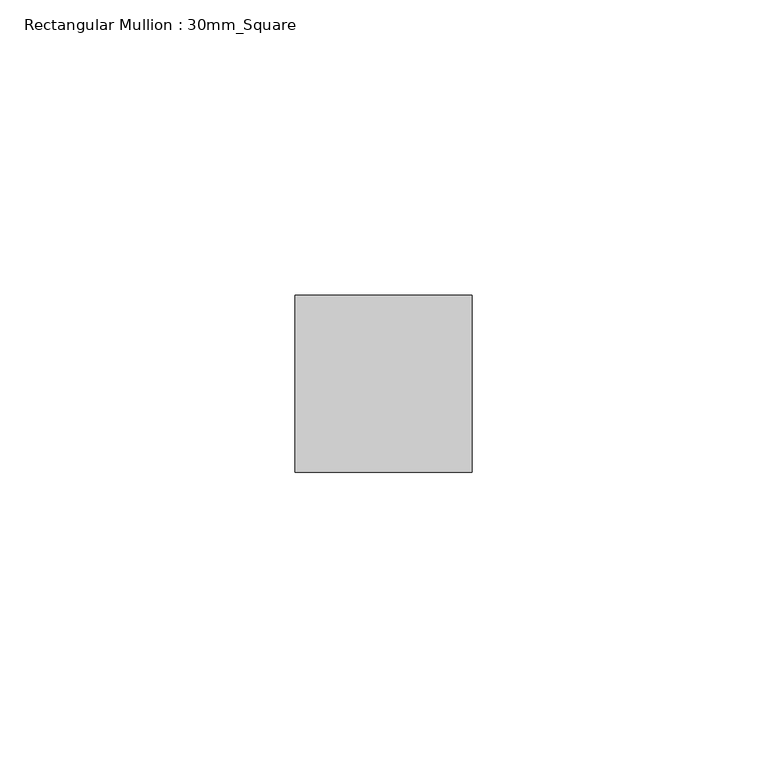
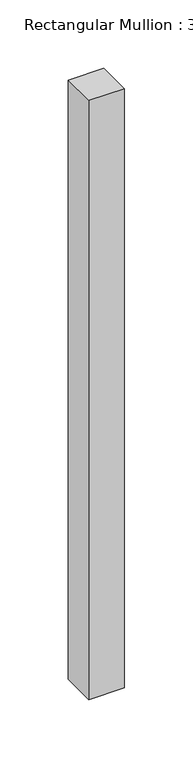
"""IFC4 building model written with IfcOpenShell, lengths in millimetres: member geometry, Rectangular Mullion : 30mm_Square."""

from ifc_helpers import new_model, si_unit, frame, origin, place, context, project, spatial, polyline, outline, extrude, source, transform, mapped, element, save


def rectangular_mullion_30mm_square_a75854b4(model_context):
    return source(origin(), model_context, "Body", "SweptSolid", [
        extrude(outline(polyline([(15.0, 15.0), (15.0, -15.0), (-15.0, -15.0), (-15.0, 15.0), (15.0, 15.0)])), frame((0.0, 0.0, -535.0), z_axis=(0.0, 0.0, 1.0), x_axis=(1.0, 0.0, 0.0)), (0.0, 0.0, 1.0), 535.0),
    ])


if __name__ == "__main__":
    model = new_model("IFC4")
    model_context = context("Model", 3, world=origin())
    ifc_project = project(units=[si_unit("LENGTHUNIT", "METRE", prefix="MILLI")], contexts=[model_context])
    site = spatial("IfcSite", under=ifc_project)
    building = spatial("IfcBuilding", under=site)
    placement = place(None, origin())
    rectangular_mullion_30mm_square_shape = rectangular_mullion_30mm_square_a75854b4(model_context)
    element("IfcMember", 1, ObjectType="Rectangular Mullion : 30mm_Square", at=placement, inside=building, context=model_context, shape_type="MappedRepresentation", body=[
        mapped(rectangular_mullion_30mm_square_shape, transform((0.0, 0.0, 0.0), x_axis=(1.0, 0.0, 0.0), y_axis=(0.0, 1.0, 0.0), z_axis=(0.0, 0.0, 1.0))),
    ])
    save(model, "model.ifc")
